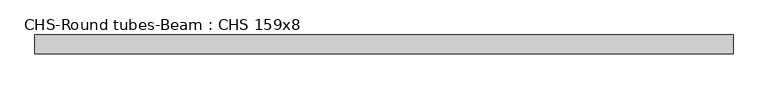
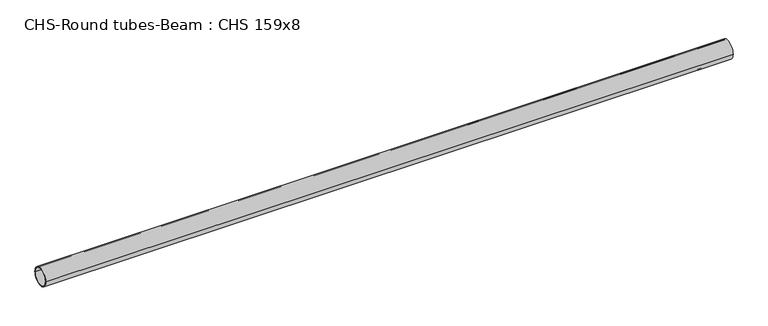
"""IFC4 building model written with IfcOpenShell, lengths in millimetres: beam geometry, CHS-Round tubes-Beam : CHS 159x8."""

from ifc_helpers import new_model, si_unit, point, frame, origin, origin_2d, place, context, project, spatial, circle_curve, trimmed, segment, composite_curve, outline, extrude, source, transform, mapped, element, save


def chs_round_tubes_beam_chs_159x8_28cb5c57(model_context):
    return source(origin(), model_context, "Body", "SweptSolid", [
        extrude(outline(composite_curve([segment(trimmed(circle_curve(origin_2d(), 79.5), [point((79.5, 0.0))], [point((-79.5, 0.0))], False, "CARTESIAN"), True, "CONTINUOUS"), segment(trimmed(circle_curve(origin_2d(), 79.5), [point((-79.5, 0.0))], [point((79.5, 0.0))], False, "CARTESIAN"), True, "CONTINUOUS")], self_intersect=False), holes=[composite_curve([segment(trimmed(circle_curve(origin_2d(), 71.5), [point((71.5, 0.0))], [point((-71.5, 0.0))], True, "CARTESIAN"), True, "CONTINUOUS"), segment(trimmed(circle_curve(origin_2d(), 71.5), [point((-71.5, 0.0))], [point((71.5, 0.0))], True, "CARTESIAN"), True, "CONTINUOUS")], self_intersect=False)]), frame((-2943.2600396, 0.0, 0.0), z_axis=(1.0, 0.0, 0.0), x_axis=(0.0, 1.0, 0.0)), (0.0, 0.0, 1.0), 5886.5200793),
    ])


if __name__ == "__main__":
    model = new_model("IFC4")
    model_context = context("Model", 3, world=origin())
    ifc_project = project(units=[si_unit("LENGTHUNIT", "METRE", prefix="MILLI")], contexts=[model_context])
    site = spatial("IfcSite", under=ifc_project)
    building = spatial("IfcBuilding", under=site)
    placement = place(None, origin())
    chs_round_tubes_beam_chs_159x8_shape = chs_round_tubes_beam_chs_159x8_28cb5c57(model_context)
    element("IfcBeam", 1, ObjectType="CHS-Round tubes-Beam : CHS 159x8", at=placement, inside=building, context=model_context, shape_type="MappedRepresentation", body=[
        mapped(chs_round_tubes_beam_chs_159x8_shape, transform((0.0, 0.0, 0.0), x_axis=(1.0, 0.0, 0.0), y_axis=(0.0, 1.0, 0.0), z_axis=(0.0, 0.0, 1.0))),
    ])
    save(model, "model.ifc")
